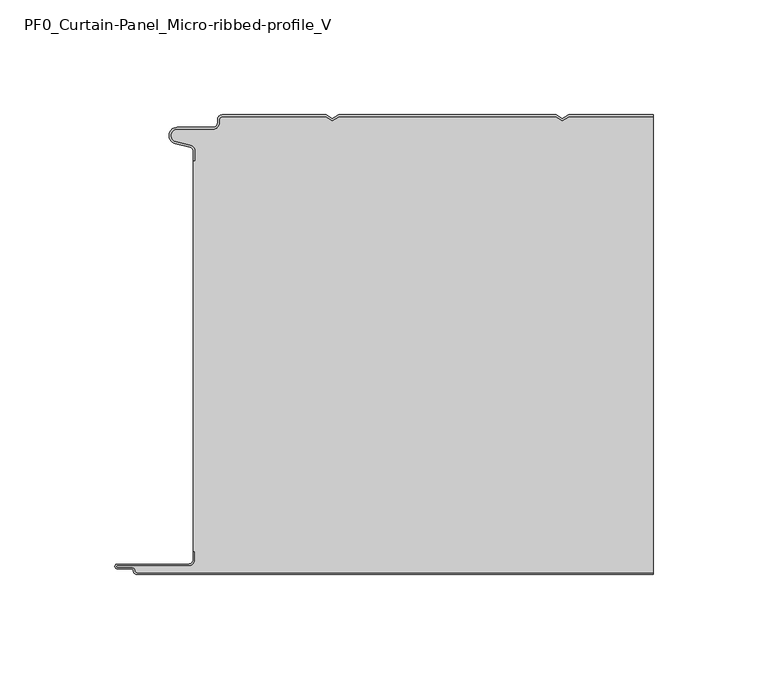
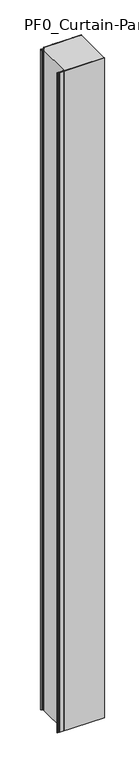
"""IFC4 building model written with IfcOpenShell, lengths in millimetres: plate geometry, PF0_Curtain-Panel_Micro-ribbed-profile_V."""

from ifc_helpers import new_model, si_unit, point, frame_2d, origin, origin_with_axes, place, context, project, spatial, polyline, circle_curve, trimmed, segment, composite_curve, outline, extrude, source, transform, mapped, element, save


def pf0_curtain_panel_micro_ribbed_profile_v_c6eadfba(model_context):
    return source(origin(), model_context, "Body", "SweptSolid", [
        extrude(outline(composite_curve([segment(trimmed(circle_curve(frame_2d((-102.0, -15.878557)), 2.0), [point((-100.0, -15.878557))], [point((-101.5500978, -13.9298169))], True, "CARTESIAN"), True, "CONTINUOUS"), segment(polyline([(-101.5500978, -13.9298169), (-107.7098239, -12.507732)]), True, "CONTINUOUS"), segment(trimmed(circle_curve(frame_2d((-106.9, -9.0)), 3.6), [point((-107.7098239, -12.507732))], [point((-106.9, -5.4))], False, "CARTESIAN"), True, "CONTINUOUS"), segment(polyline([(-106.9, -5.4), (-91.4, -5.4)]), True, "CONTINUOUS"), segment(trimmed(circle_curve(frame_2d((-91.4, -3.4)), 2.0), [point((-91.4, -5.4))], [point((-89.4, -3.4))], True, "CARTESIAN"), True, "CONTINUOUS"), segment(polyline([(-89.4, -3.4), (-89.4, -2.0)]), True, "CONTINUOUS"), segment(trimmed(circle_curve(frame_2d((-87.4, -2.0)), 2.0), [point((-89.4, -2.0))], [point((-87.4, 0.0))], False, "CARTESIAN"), True, "CONTINUOUS"), segment(polyline([(-87.4, 0.0), (-42.0999995, 0.0), (-39.4, -1.5588455), (-36.7000005, 0.0), (57.9000005, 0.0), (60.6, -1.5588455), (63.2999995, 0.0), (100.0, 0.0), (100.0, -0.8), (63.5143588, -0.8), (60.6, -2.482606), (57.6856412, -0.8), (-36.4856412, -0.8), (-39.4, -2.482606), (-42.3143588, -0.8), (-87.4, -0.8)]), True, "CONTINUOUS"), segment(trimmed(circle_curve(frame_2d((-87.4, -2.0)), 1.2), [point((-87.4, -0.8))], [point((-88.6, -2.0))], True, "CARTESIAN"), True, "CONTINUOUS"), segment(polyline([(-88.6, -2.0), (-88.6, -3.4)]), True, "CONTINUOUS"), segment(trimmed(circle_curve(frame_2d((-91.4, -3.4)), 2.8), [point((-88.6, -3.4))], [point((-91.4, -6.2))], False, "CARTESIAN"), True, "CONTINUOUS"), segment(polyline([(-91.4, -6.2), (-106.9, -6.2)]), True, "CONTINUOUS"), segment(trimmed(circle_curve(frame_2d((-106.9, -9.0)), 2.8), [point((-106.9, -6.2))], [point((-107.529863, -11.7282362))], True, "CARTESIAN"), True, "CONTINUOUS"), segment(polyline([(-107.529863, -11.7282362), (-101.370137, -13.150321)]), True, "CONTINUOUS"), segment(trimmed(circle_curve(frame_2d((-102.0, -15.878557)), 2.8), [point((-101.370137, -13.150321))], [point((-99.2, -15.878557))], False, "CARTESIAN"), True, "CONTINUOUS"), segment(polyline([(-99.2, -15.878557), (-99.2, -20.0), (-100.0, -20.0), (-100.0, -15.878557)]), True, "CONTINUOUS")], self_intersect=False)), origin_with_axes(), (0.0, 0.0, 1.0), 3500.0),
        extrude(outline(composite_curve([segment(polyline([(-99.2, -190.0), (-100.0, -190.0), (-100.0, -20.0), (-99.2, -20.0), (-99.2, -15.878557)]), True, "CONTINUOUS"), segment(trimmed(circle_curve(frame_2d((-102.0, -15.878557)), 2.8), [point((-99.2, -15.878557))], [point((-101.370137, -13.1503208))], True, "CARTESIAN"), True, "CONTINUOUS"), segment(polyline([(-101.370137, -13.1503208), (-107.529863, -11.7282362)]), True, "CONTINUOUS"), segment(trimmed(circle_curve(frame_2d((-106.9, -9.0)), 2.8), [point((-107.529863, -11.7282362))], [point((-106.9, -6.2))], False, "CARTESIAN"), True, "CONTINUOUS"), segment(polyline([(-106.9, -6.2), (-91.4, -6.2)]), True, "CONTINUOUS"), segment(trimmed(circle_curve(frame_2d((-91.4, -3.4)), 2.8), [point((-91.4, -6.2))], [point((-88.6, -3.4))], True, "CARTESIAN"), True, "CONTINUOUS"), segment(polyline([(-88.6, -3.4), (-88.6, -2.0)]), True, "CONTINUOUS"), segment(trimmed(circle_curve(frame_2d((-87.4, -2.0)), 1.2), [point((-88.6, -2.0))], [point((-87.4, -0.8))], False, "CARTESIAN"), True, "CONTINUOUS"), segment(polyline([(-87.4, -0.8), (-42.3143588, -0.8), (-39.4, -2.482606), (-36.4856412, -0.8), (57.6856412, -0.8), (60.6, -2.482606), (63.5143588, -0.8), (100.0, -0.8), (100.0, -199.2), (-124.4, -199.2)]), True, "CONTINUOUS"), segment(trimmed(circle_curve(frame_2d((-124.4, -198.4)), 0.8), [point((-124.4, -199.2))], [point((-125.2, -198.4))], False, "CARTESIAN"), True, "CONTINUOUS"), segment(trimmed(circle_curve(frame_2d((-126.9, -198.6133333)), 1.7133333), [point((-125.2, -198.4))], [point((-126.9, -196.9))], True, "CARTESIAN"), True, "CONTINUOUS"), segment(polyline([(-126.9, -196.9), (-132.8700312, -196.9)]), True, "CONTINUOUS"), segment(trimmed(circle_curve(frame_2d((-132.8700312, -196.6)), 0.3), [point((-132.8700312, -196.9))], [point((-132.8700312, -196.3))], False, "CARTESIAN"), True, "CONTINUOUS"), segment(polyline([(-132.8700312, -196.3), (-102.0, -196.3)]), True, "CONTINUOUS"), segment(trimmed(circle_curve(frame_2d((-102.0, -193.5)), 2.8), [point((-102.0, -196.3))], [point((-99.2, -193.5))], True, "CARTESIAN"), True, "CONTINUOUS"), segment(polyline([(-99.2, -193.5), (-99.2, -190.0)]), True, "CONTINUOUS")], self_intersect=False)), origin_with_axes(), (0.0, 0.0, 1.0), 3500.0),
        extrude(outline(composite_curve([segment(polyline([(-100.0, -190.0), (-99.2, -190.0), (-99.2, -193.5)]), True, "CONTINUOUS"), segment(trimmed(circle_curve(frame_2d((-102.0, -193.5)), 2.8), [point((-99.2, -193.5))], [point((-102.0, -196.3))], False, "CARTESIAN"), True, "CONTINUOUS"), segment(polyline([(-102.0, -196.3), (-132.8700312, -196.3)]), True, "CONTINUOUS"), segment(trimmed(circle_curve(frame_2d((-132.8700312, -196.6)), 0.3), [point((-132.8700312, -196.3))], [point((-132.8700312, -196.9))], True, "CARTESIAN"), True, "CONTINUOUS"), segment(polyline([(-132.8700312, -196.9), (-126.9, -196.9)]), True, "CONTINUOUS"), segment(trimmed(circle_curve(frame_2d((-126.9, -198.6133333)), 1.7133333), [point((-126.9, -196.9))], [point((-125.2, -198.4))], False, "CARTESIAN"), True, "CONTINUOUS"), segment(trimmed(circle_curve(frame_2d((-124.4, -198.4)), 0.8), [point((-125.2, -198.4))], [point((-124.4, -199.2))], True, "CARTESIAN"), True, "CONTINUOUS"), segment(polyline([(-124.4, -199.2), (100.0, -199.2), (100.0, -200.0), (-124.4, -200.0)]), True, "CONTINUOUS"), segment(trimmed(circle_curve(frame_2d((-124.4, -198.4)), 1.6), [point((-124.4, -200.0))], [point((-126.0, -198.4))], False, "CARTESIAN"), True, "CONTINUOUS"), segment(trimmed(circle_curve(frame_2d((-126.9, -198.4)), 0.9), [point((-126.0, -198.4))], [point((-126.9, -197.5))], True, "CARTESIAN"), True, "CONTINUOUS"), segment(polyline([(-126.9, -197.5), (-133.0, -197.5)]), True, "CONTINUOUS"), segment(trimmed(circle_curve(frame_2d((-133.0, -196.5)), 1.0), [point((-133.0, -197.5))], [point((-133.0, -195.5))], False, "CARTESIAN"), True, "CONTINUOUS"), segment(polyline([(-133.0, -195.5), (-102.0, -195.5)]), True, "CONTINUOUS"), segment(trimmed(circle_curve(frame_2d((-102.0, -193.5)), 2.0), [point((-102.0, -195.5))], [point((-100.0, -193.5))], True, "CARTESIAN"), True, "CONTINUOUS"), segment(polyline([(-100.0, -193.5), (-100.0, -190.0)]), True, "CONTINUOUS")], self_intersect=False)), origin_with_axes(), (0.0, 0.0, 1.0), 3500.0),
    ])


if __name__ == "__main__":
    model = new_model("IFC4")
    model_context = context("Model", 3, world=origin())
    ifc_project = project(units=[si_unit("LENGTHUNIT", "METRE", prefix="MILLI")], contexts=[model_context])
    site = spatial("IfcSite", under=ifc_project)
    building = spatial("IfcBuilding", under=site)
    placement = place(None, origin())
    pf0_curtain_panel_micro_ribbed_profile_v_shape = pf0_curtain_panel_micro_ribbed_profile_v_c6eadfba(model_context)
    element("IfcPlate", 1, ObjectType="PF0_Curtain-Panel_Micro-ribbed-profile_V", at=placement, inside=building, context=model_context, shape_type="MappedRepresentation", body=[
        mapped(pf0_curtain_panel_micro_ribbed_profile_v_shape, transform((0.0, 0.0, 0.0), x_axis=(1.0, 0.0, 0.0), y_axis=(0.0, 1.0, 0.0), z_axis=(0.0, 0.0, 1.0))),
    ])
    save(model, "model.ifc")
